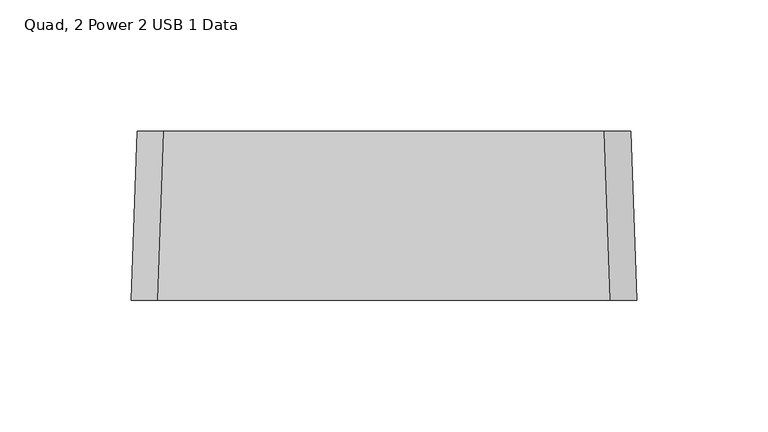
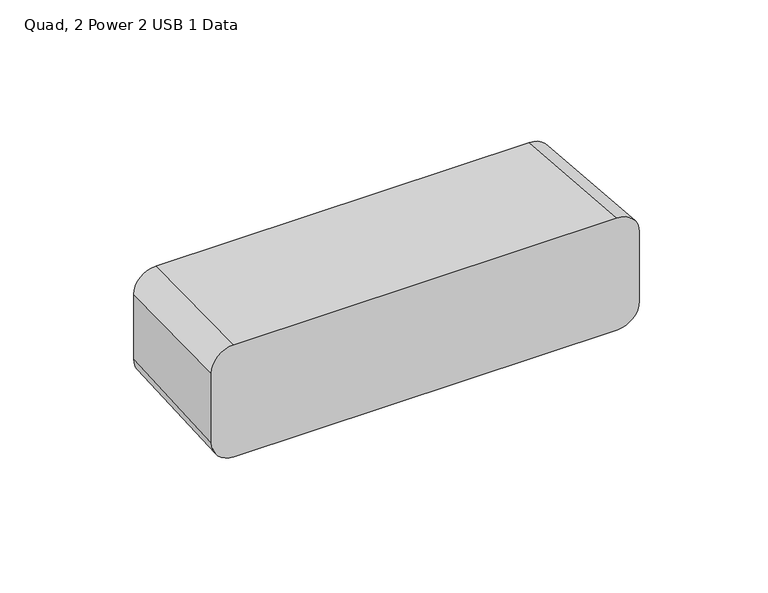
"""IFC4 building model written with IfcOpenShell, lengths in millimetres: proxy geometry, Quad, 2 Power 2 USB 1 Data."""

from ifc_helpers import new_model, si_unit, point, frame, origin, place, context, project, spatial, circle_curve, trimmed, source, transform, mapped, element, save
from ifc_brep_helpers import plane_surface, extruded_surface, advanced_brep


def quad_2_power_2_usb_1_data_bfb4347e(model_context):
    return source(origin(), model_context, "Body", "AdvancedBrep", [
        advanced_brep(
        [(96.04375, -121.025, 1109.8349345), (85.9966533, -121.025, 1119.8820313), (-86.0226563, -121.025, 1119.8820313), (-96.04375, -121.025, 1109.8609375), (-96.04375, -121.025, 1076.8210938), (-86.0226563, -121.025, 1066.8), (86.0226562, -121.025, 1066.8), (96.04375, -121.025, 1076.8210938), (93.7825311, -56.775, 1107.5489345), (93.7825311, -56.775, 1076.8210938), (83.7614374, -56.775, 1066.8), (-83.7614374, -56.775, 1066.8), (-93.7825311, -56.775, 1076.8210938), (-93.7825311, -56.775, 1107.5749375), (-83.7614374, -56.775, 1117.5960312), (83.7354344, -56.775, 1117.5960313)],
        [
            (0, 1, circle_curve(frame((85.9966533, -121.025, 1109.8349345), z_axis=(0.0, -1.0, 0.0), x_axis=(1.0, 0.0, 0.0)), 10.0470967)),
            (1, 2),
            (2, 3, circle_curve(frame((-86.0226563, -121.025, 1109.8609375), z_axis=(0.0, -1.0, 0.0), x_axis=(1.0, 0.0, 0.0)), 10.0210938)),
            (3, 4),
            (4, 5, circle_curve(frame((-86.0226563, -121.025, 1076.8210938), z_axis=(0.0, -1.0, 0.0), x_axis=(1.0, 0.0, 0.0)), 10.0210938)),
            (5, 6),
            (6, 7, circle_curve(frame((86.0226562, -121.025, 1076.8210938), z_axis=(0.0, -1.0, 0.0), x_axis=(1.0, 0.0, 0.0)), 10.0210938)),
            (7, 0),
            (8, 9),
            (9, 10, circle_curve(frame((83.7614374, -56.775, 1076.8210938), z_axis=(0.0, 1.0, 0.0), x_axis=(1.0, 0.0, 0.0)), 10.0210938)),
            (10, 11),
            (11, 12, circle_curve(frame((-83.7614374, -56.775, 1076.8210938), z_axis=(0.0, 1.0, 0.0), x_axis=(1.0, 0.0, 0.0)), 10.0210938)),
            (12, 13),
            (13, 14, circle_curve(frame((-83.7614374, -56.775, 1107.5749375), z_axis=(0.0, 1.0, 0.0), x_axis=(1.0, 0.0, 0.0)), 10.0210938)),
            (14, 15),
            (15, 8, circle_curve(frame((83.7354344, -56.775, 1107.5489345), z_axis=(0.0, 1.0, 0.0), x_axis=(1.0, 0.0, 0.0)), 10.0470967)),
            (15, 1),
            (0, 8),
            (14, 2),
            (13, 3),
            (12, 4),
            (11, 5),
            (10, 6),
            (9, 7),
        ],
        [
            plane_surface(frame((-0.0032504, -121.025, 1093.3377653), z_axis=(0.0, -1.0, 0.0), x_axis=(0.0, 0.0, 1.0))),
            plane_surface(frame((-0.0032504, -56.775, 1092.1947653), z_axis=(0.0, 1.0, 0.0), x_axis=(0.0, 0.0, 1.0))),
            extruded_surface(trimmed(circle_curve(frame((83.7354344, -56.775, 1107.5489345), z_axis=(0.0, -1.0, 0.0), x_axis=(1.0, 0.0, 0.0)), 10.0470967), [point((93.7825311, -56.775, 1107.5489345))], [point((83.7354344, -56.775, 1117.5960313))], True, "CARTESIAN"), (2.261218900000003, -64.25, 2.285999999999831), 64.33040810467253),
            plane_surface(frame((-0.0130015, -56.775, 1117.5960313), z_axis=(0.0, 0.03555726733113258, 0.9993676404306587), x_axis=(-1.0, 0.0, 0.0))),
            extruded_surface(trimmed(circle_curve(frame((-83.7614374, -56.775, 1107.5749375), z_axis=(0.0, -1.0, 0.0), x_axis=(1.0, 0.0, 0.0)), 10.0210938), [point((-83.7614374, -56.775, 1117.5960312))], [point((-93.7825311, -56.775, 1107.5749375))], True, "CARTESIAN"), (-2.2612188999999887, -64.25, 2.286000000000058), 64.33040810467253),
            plane_surface(frame((-93.7825311, -56.775, 1092.1980156), z_axis=(-0.9993812635186015, 0.03517229204876676, 0.0), x_axis=(0.0, 0.0, -1.0))),
            extruded_surface(trimmed(circle_curve(frame((-83.7614374, -56.775, 1076.8210938), z_axis=(0.0, -1.0, 0.0), x_axis=(1.0, 0.0, 0.0)), 10.0210938), [point((-93.7825311, -56.775, 1076.8210938))], [point((-83.7614374, -56.775, 1066.8))], True, "CARTESIAN"), (-2.2612188999999887, -64.25, 0.0), 64.28977843260714),
            plane_surface(frame((0.0, -56.775, 1066.8), z_axis=(0.0, 0.0, -1.0), x_axis=(1.0, 0.0, 0.0))),
            extruded_surface(trimmed(circle_curve(frame((83.7614374, -56.775, 1076.8210938), z_axis=(0.0, -1.0, 0.0), x_axis=(1.0, 0.0, 0.0)), 10.0210938), [point((83.7614374, -56.775, 1066.8))], [point((93.7825311, -56.775, 1076.8210938))], True, "CARTESIAN"), (2.2612187999999946, -64.25, 0.0), 64.2897784290899),
            plane_surface(frame((93.7825311, -56.775, 1092.1850141), z_axis=(0.9993812635186111, 0.03517229204849284, 0.0), x_axis=(0.0, 0.0, 1.0))),
        ],
        [
            (0, [[1, 2, 3, 4, 5, 6, 7, 8]]),
            (1, [[9, 10, 11, 12, 13, 14, 15, 16]]),
            (2, [[-16, 17, -1, 18]]),
            (3, [[-15, 19, -2, -17]]),
            (4, [[-14, 20, -3, -19]]),
            (5, [[-13, 21, -4, -20]]),
            (6, [[-12, 22, -5, -21]]),
            (7, [[-11, 23, -6, -22]]),
            (8, [[-10, 24, -7, -23]]),
            (9, [[-9, -18, -8, -24]]),
        ],
    ),
    ])


if __name__ == "__main__":
    model = new_model("IFC4")
    model_context = context("Model", 3, world=origin())
    ifc_project = project(units=[si_unit("LENGTHUNIT", "METRE", prefix="MILLI")], contexts=[model_context])
    site = spatial("IfcSite", under=ifc_project)
    building = spatial("IfcBuilding", under=site)
    placement = place(None, origin())
    quad_2_power_2_usb_1_data_shape = quad_2_power_2_usb_1_data_bfb4347e(model_context)
    element("IfcBuildingElementProxy", 1, Name="Quad, 2 Power 2 USB 1 Data", ObjectType="Quad, 2 Power 2 USB 1 Data", at=placement, inside=building, context=model_context, shape_type="MappedRepresentation", body=[
        mapped(quad_2_power_2_usb_1_data_shape, transform((0.0, 0.0, 0.0), x_axis=(1.0, 0.0, 0.0), y_axis=(0.0, 1.0, 0.0), z_axis=(0.0, 0.0, 1.0))),
    ])
    save(model, "model.ifc")
